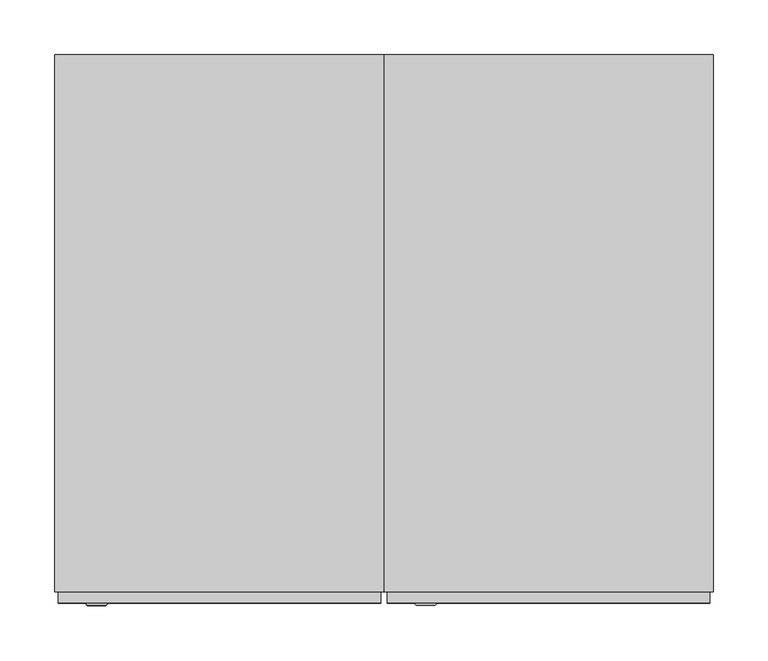
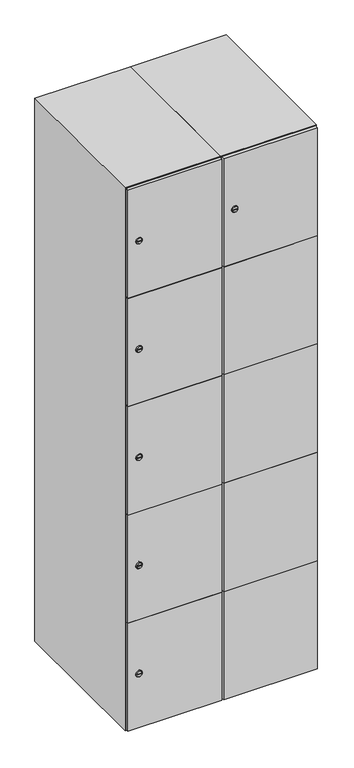
"""IFC4 building model written with IfcOpenShell, lengths in millimetres: furniture geometry."""

from ifc_helpers import new_model, si_unit, point, frame, frame_2d, origin, place, context, project, spatial, polyline, circle_curve, trimmed, segment, composite_curve, outline, extrude, faceted_brep, source, transform, mapped, element, save
from ifc_brep_helpers import plane_surface, revolved_surface, advanced_brep


def furniture_7a18e212(model_context):
    return source(origin(), model_context, "Body", "SolidModel", [
        advanced_brep(
        [(146.5, -257.2, 1652.6), (129.5, -257.2, 1652.6), (133.0, -257.2, 1651.35), (133.0, -257.2, 1653.85), (143.0, -257.2, 1653.85), (143.0, -257.2, 1651.35), (148.5, -255.0, 1652.6), (127.5, -255.0, 1652.6), (133.0, -255.0, 1653.85), (133.0, -255.0, 1651.35), (143.0, -255.0, 1651.35), (143.0, -255.0, 1653.85)],
        [
            (0, 1, circle_curve(frame((138.0, -257.2, 1652.6), z_axis=(0.0, -1.0, 0.0), x_axis=(1.0, 0.0, 0.0)), 8.5)),
            (1, 0, circle_curve(frame((138.0, -257.2, 1652.6), z_axis=(0.0, -1.0, 0.0), x_axis=(-1.0, 0.0, 0.0)), 8.5)),
            (2, 3),
            (3, 4),
            (4, 5),
            (5, 2),
            (6, 7, circle_curve(frame((138.0, -255.0, 1652.6), z_axis=(0.0, 1.0, 0.0), x_axis=(-1.0, 0.0, 0.0)), 10.5)),
            (7, 6, circle_curve(frame((138.0, -255.0, 1652.6), z_axis=(0.0, 1.0, 0.0), x_axis=(1.0, 0.0, 0.0)), 10.5)),
            (8, 9),
            (9, 10),
            (10, 11),
            (11, 8),
            (0, 6),
            (7, 1),
            (8, 3),
            (2, 9),
            (11, 4),
            (10, 5),
        ],
        [
            plane_surface(frame((138.0, -257.2, 1652.6), z_axis=(0.0, -1.0, 0.0), x_axis=(0.0, 0.0, 1.0))),
            plane_surface(frame((138.0, -255.0, 1652.6), z_axis=(0.0, 1.0, 0.0), x_axis=(0.0, 0.0, 1.0))),
            revolved_surface(polyline([(146.5, -257.2, 1652.6), (148.5, -255.0, 1652.6)]), (138.0, -266.55, 1652.6), (0.0, 1.0, 0.0)),
            revolved_surface(polyline([(129.5, -257.2, 1652.6), (127.5, -255.0, 1652.6)]), (138.0, -266.55, 1652.6), (0.0, 1.0, 0.0)),
            plane_surface(frame((133.0, -255.0, 1651.35), z_axis=(1.0, 0.0, 0.0), x_axis=(0.0, -1.0, 0.0))),
            plane_surface(frame((133.0, -255.0, 1653.85), z_axis=(0.0, 0.0, -1.0), x_axis=(0.0, -1.0, 0.0))),
            plane_surface(frame((143.0, -255.0, 1653.85), z_axis=(-1.0, 0.0, 0.0), x_axis=(0.0, -1.0, 0.0))),
            plane_surface(frame((143.0, -255.0, 1651.35), z_axis=(0.0, 0.0, 1.0), x_axis=(0.0, -1.0, 0.0))),
        ],
        [
            (0, [[1, 2], [3, 4, 5, 6]]),
            (1, [[7, 8], [9, 10, 11, 12]]),
            (2, [[-1, 13, -8, 14]]),
            (3, [[-2, -14, -7, -13]]),
            (4, [[15, -3, 16, -9]]),
            (5, [[-15, -12, 17, -4]]),
            (6, [[-17, -11, 18, -5]]),
            (7, [[-16, -6, -18, -10]]),
        ],
    ),
        extrude(outline(polyline([(397.0, -245.0), (397.0, -255.0), (103.0, -255.0), (103.0, -245.0), (397.0, -245.0)])), frame((0.0, 0.0, 755.1), z_axis=(0.0, 0.0, 1.0), x_axis=(1.0, 0.0, 0.0)), (0.0, 0.0, 1.0), 359.8),
        extrude(outline(polyline([(397.0, -245.0), (397.0, -255.0), (103.0, -255.0), (103.0, -245.0), (397.0, -245.0)])), frame((0.0, 0.0, 396.3), z_axis=(0.0, 0.0, 1.0), x_axis=(1.0, 0.0, 0.0)), (0.0, 0.0, 1.0), 359.8),
        extrude(outline(polyline([(397.0, -245.0), (397.0, -255.0), (103.0, -255.0), (103.0, -245.0), (397.0, -245.0)])), frame((0.0, 0.0, 1113.9), z_axis=(0.0, 0.0, 1.0), x_axis=(1.0, 0.0, 0.0)), (0.0, 0.0, 1.0), 358.8),
        extrude(outline(polyline([(103.0, -255.0), (103.0, -245.0), (397.0, -245.0), (397.0, -255.0), (103.0, -255.0)])), frame((0.0, 0.0, 1473.7), z_axis=(0.0, 0.0, 1.0), x_axis=(1.0, 0.0, 0.0)), (0.0, 0.0, 1.0), 358.3),
        extrude(outline(polyline([(397.0, -245.0), (397.0, -255.0), (103.0, -255.0), (103.0, -245.0), (397.0, -245.0)])), frame((0.0, 0.0, 38.0), z_axis=(0.0, 0.0, 1.0), x_axis=(1.0, 0.0, 0.0)), (0.0, 0.0, 1.0), 359.3),
        extrude(outline(polyline([(379.6, 242.0), (379.6, -235.0), (120.4, -235.0), (120.4, 242.0), (379.6, 242.0)])), frame((0.0, 0.0, 1446.68), z_axis=(0.0, 0.0, 1.0), x_axis=(1.0, 0.0, 0.0)), (0.0, 0.0, 1.0), 20.4),
        extrude(outline(polyline([(379.6, 242.0), (379.6, -235.0), (120.4, -235.0), (120.4, 242.0), (379.6, 242.0)])), frame((0.0, 0.0, 1098.76), z_axis=(0.0, 0.0, 1.0), x_axis=(1.0, 0.0, 0.0)), (0.0, 0.0, 1.0), 20.4),
        extrude(outline(polyline([(379.6, 242.0), (379.6, -235.0), (120.4, -235.0), (120.4, 242.0), (379.6, 242.0)])), frame((0.0, 0.0, 750.84), z_axis=(0.0, 0.0, 1.0), x_axis=(1.0, 0.0, 0.0)), (0.0, 0.0, 1.0), 20.4),
        extrude(outline(polyline([(120.4, 242.0), (379.6, 242.0), (379.6, -235.0), (120.4, -235.0), (120.4, 242.0)])), frame((0.0, 0.0, 402.92), z_axis=(0.0, 0.0, 1.0), x_axis=(1.0, 0.0, 0.0)), (0.0, 0.0, 1.0), 20.4),
        faceted_brep([(400.0, -245.0, 35.0), (400.0, -245.0, 1835.0), (100.0, -245.0, 1835.0), (100.0, -245.0, 35.0), (379.6, -245.0, 1804.8), (379.6, -245.0, 65.2), (120.4, -245.0, 65.2), (120.4, -245.0, 1804.8), (400.0, 245.0, 35.0), (100.0, 245.0, 35.0), (400.0, 245.0, 1835.0), (100.0, 245.0, 1835.0), (379.6, 242.0, 1804.8), (379.6, 242.0, 65.2), (100.0, 245.0, 1804.8), (120.4, 242.0, 1804.8), (120.4, 242.0, 65.2)], [[[0, 1, 2, 3], [4, 5, 6, 7]], [[8, 0, 3, 9]], [[1, 0, 8, 10]], [[1, 10, 11, 2]], [[4, 12, 13, 5]], [[9, 3, 2, 11, 14]], [[10, 8, 9, 14, 11]], [[12, 15, 16, 13]], [[15, 7, 6, 16]], [[4, 7, 15, 12]], [[6, 5, 13, 16]]]),
        extrude(outline(composite_curve([segment(trimmed(circle_curve(frame_2d((217.4, -188.7989466)), 7.0), [point((224.4, -188.7989466))], [point((210.4, -188.7989466))], False, "CARTESIAN"), True, "CONTINUOUS"), segment(polyline([(210.4, -188.7989466), (210.4, -160.7989466)]), True, "CONTINUOUS"), segment(trimmed(circle_curve(frame_2d((217.4, -160.7989466)), 7.0), [point((210.4, -160.7989466))], [point((224.4, -160.7989466))], False, "CARTESIAN"), True, "CONTINUOUS"), segment(polyline([(224.4, -160.7989466), (224.4, -188.7989466)]), True, "CONTINUOUS")], self_intersect=False)), frame((0.0, -245.0, 0.0), z_axis=(0.0, 1.0, 0.0), x_axis=(0.0, 0.0, 1.0)), (0.0, 0.0, 1.0), 2.0),
        advanced_brep(
        [(-153.5, -257.2, 217.4), (-170.5, -257.2, 217.4), (-167.0, -257.2, 216.15), (-167.0, -257.2, 218.65), (-157.0, -257.2, 218.65), (-157.0, -257.2, 216.15), (-151.5, -255.0, 217.4), (-172.5, -255.0, 217.4), (-167.0, -255.0, 218.65), (-167.0, -255.0, 216.15), (-157.0, -255.0, 216.15), (-157.0, -255.0, 218.65)],
        [
            (0, 1, circle_curve(frame((-162.0, -257.2, 217.4), z_axis=(0.0, -1.0, 0.0), x_axis=(1.0, 0.0, 0.0)), 8.5)),
            (1, 0, circle_curve(frame((-162.0, -257.2, 217.4), z_axis=(0.0, -1.0, 0.0), x_axis=(-1.0, 0.0, 0.0)), 8.5)),
            (2, 3),
            (3, 4),
            (4, 5),
            (5, 2),
            (6, 7, circle_curve(frame((-162.0, -255.0, 217.4), z_axis=(0.0, 1.0, 0.0), x_axis=(-1.0, 0.0, 0.0)), 10.5)),
            (7, 6, circle_curve(frame((-162.0, -255.0, 217.4), z_axis=(0.0, 1.0, 0.0), x_axis=(1.0, 0.0, 0.0)), 10.5)),
            (8, 9),
            (9, 10),
            (10, 11),
            (11, 8),
            (0, 6),
            (7, 1),
            (8, 3),
            (2, 9),
            (11, 4),
            (10, 5),
        ],
        [
            plane_surface(frame((-162.0, -257.2, 217.4), z_axis=(0.0, -1.0, 0.0), x_axis=(0.0, 0.0, 1.0))),
            plane_surface(frame((-162.0, -255.0, 217.4), z_axis=(0.0, 1.0, 0.0), x_axis=(0.0, 0.0, 1.0))),
            revolved_surface(polyline([(-153.5, -257.2, 217.4), (-151.5, -255.0, 217.4)]), (-162.0, -266.55, 217.4), (0.0, 1.0, 0.0)),
            revolved_surface(polyline([(-170.5, -257.2, 217.4), (-172.5, -255.0, 217.4)]), (-162.0, -266.55, 217.4), (0.0, 1.0, 0.0)),
            plane_surface(frame((-167.0, -255.0, 216.15), z_axis=(1.0, 0.0, 0.0), x_axis=(0.0, -1.0, 0.0))),
            plane_surface(frame((-167.0, -255.0, 218.65), z_axis=(0.0, 0.0, -1.0), x_axis=(0.0, -1.0, 0.0))),
            plane_surface(frame((-157.0, -255.0, 218.65), z_axis=(-1.0, 0.0, 0.0), x_axis=(0.0, -1.0, 0.0))),
            plane_surface(frame((-157.0, -255.0, 216.15), z_axis=(0.0, 0.0, 1.0), x_axis=(0.0, -1.0, 0.0))),
        ],
        [
            (0, [[1, 2], [3, 4, 5, 6]]),
            (1, [[7, 8], [9, 10, 11, 12]]),
            (2, [[-1, 13, -8, 14]]),
            (3, [[-2, -14, -7, -13]]),
            (4, [[15, -3, 16, -9]]),
            (5, [[-15, -12, 17, -4]]),
            (6, [[-17, -11, 18, -5]]),
            (7, [[-16, -6, -18, -10]]),
        ],
    ),
        extrude(outline(composite_curve([segment(trimmed(circle_curve(frame_2d((576.2, -188.7989466)), 7.0), [point((583.2, -188.7989466))], [point((569.2, -188.7989466))], False, "CARTESIAN"), True, "CONTINUOUS"), segment(polyline([(569.2, -188.7989466), (569.2, -160.7989466)]), True, "CONTINUOUS"), segment(trimmed(circle_curve(frame_2d((576.2, -160.7989466)), 7.0), [point((569.2, -160.7989466))], [point((583.2, -160.7989466))], False, "CARTESIAN"), True, "CONTINUOUS"), segment(polyline([(583.2, -160.7989466), (583.2, -188.7989466)]), True, "CONTINUOUS")], self_intersect=False)), frame((0.0, -245.0, 0.0), z_axis=(0.0, 1.0, 0.0), x_axis=(0.0, 0.0, 1.0)), (0.0, 0.0, 1.0), 2.0),
        advanced_brep(
        [(-153.5, -257.2, 576.2), (-170.5, -257.2, 576.2), (-167.0, -257.2, 574.95), (-167.0, -257.2, 577.45), (-157.0, -257.2, 577.45), (-157.0, -257.2, 574.95), (-151.5, -255.0, 576.2), (-172.5, -255.0, 576.2), (-167.0, -255.0, 577.45), (-167.0, -255.0, 574.95), (-157.0, -255.0, 574.95), (-157.0, -255.0, 577.45)],
        [
            (0, 1, circle_curve(frame((-162.0, -257.2, 576.2), z_axis=(0.0, -1.0, 0.0), x_axis=(1.0, 0.0, 0.0)), 8.5)),
            (1, 0, circle_curve(frame((-162.0, -257.2, 576.2), z_axis=(0.0, -1.0, 0.0), x_axis=(-1.0, 0.0, 0.0)), 8.5)),
            (2, 3),
            (3, 4),
            (4, 5),
            (5, 2),
            (6, 7, circle_curve(frame((-162.0, -255.0, 576.2), z_axis=(0.0, 1.0, 0.0), x_axis=(-1.0, 0.0, 0.0)), 10.5)),
            (7, 6, circle_curve(frame((-162.0, -255.0, 576.2), z_axis=(0.0, 1.0, 0.0), x_axis=(1.0, 0.0, 0.0)), 10.5)),
            (8, 9),
            (9, 10),
            (10, 11),
            (11, 8),
            (0, 6),
            (7, 1),
            (8, 3),
            (2, 9),
            (11, 4),
            (10, 5),
        ],
        [
            plane_surface(frame((-162.0, -257.2, 576.2), z_axis=(0.0, -1.0, 0.0), x_axis=(0.0, 0.0, 1.0))),
            plane_surface(frame((-162.0, -255.0, 576.2), z_axis=(0.0, 1.0, 0.0), x_axis=(0.0, 0.0, 1.0))),
            revolved_surface(polyline([(-153.5, -257.2, 576.2), (-151.5, -255.0, 576.2)]), (-162.0, -266.55, 576.2), (0.0, 1.0, 0.0)),
            revolved_surface(polyline([(-170.5, -257.2, 576.2), (-172.5, -255.0, 576.2)]), (-162.0, -266.55, 576.2), (0.0, 1.0, 0.0)),
            plane_surface(frame((-167.0, -255.0, 574.95), z_axis=(1.0, 0.0, 0.0), x_axis=(0.0, -1.0, 0.0))),
            plane_surface(frame((-167.0, -255.0, 577.45), z_axis=(0.0, 0.0, -1.0), x_axis=(0.0, -1.0, 0.0))),
            plane_surface(frame((-157.0, -255.0, 577.45), z_axis=(-1.0, 0.0, 0.0), x_axis=(0.0, -1.0, 0.0))),
            plane_surface(frame((-157.0, -255.0, 574.95), z_axis=(0.0, 0.0, 1.0), x_axis=(0.0, -1.0, 0.0))),
        ],
        [
            (0, [[1, 2], [3, 4, 5, 6]]),
            (1, [[7, 8], [9, 10, 11, 12]]),
            (2, [[-1, 13, -8, 14]]),
            (3, [[-2, -14, -7, -13]]),
            (4, [[15, -3, 16, -9]]),
            (5, [[-15, -12, 17, -4]]),
            (6, [[-17, -11, 18, -5]]),
            (7, [[-16, -6, -18, -10]]),
        ],
    ),
        extrude(outline(composite_curve([segment(trimmed(circle_curve(frame_2d((935.0, -188.7989466)), 7.0), [point((942.0, -188.7989466))], [point((928.0, -188.7989466))], False, "CARTESIAN"), True, "CONTINUOUS"), segment(polyline([(928.0, -188.7989466), (928.0, -160.7989466)]), True, "CONTINUOUS"), segment(trimmed(circle_curve(frame_2d((935.0, -160.7989466)), 7.0), [point((928.0, -160.7989466))], [point((942.0, -160.7989466))], False, "CARTESIAN"), True, "CONTINUOUS"), segment(polyline([(942.0, -160.7989466), (942.0, -188.7989466)]), True, "CONTINUOUS")], self_intersect=False)), frame((0.0, -245.0, 0.0), z_axis=(0.0, 1.0, 0.0), x_axis=(0.0, 0.0, 1.0)), (0.0, 0.0, 1.0), 2.0),
        advanced_brep(
        [(-153.5, -257.2, 935.0), (-170.5, -257.2, 935.0), (-167.0, -257.2, 933.75), (-167.0, -257.2, 936.25), (-157.0, -257.2, 936.25), (-157.0, -257.2, 933.75), (-151.5, -255.0, 935.0), (-172.5, -255.0, 935.0), (-167.0, -255.0, 936.25), (-167.0, -255.0, 933.75), (-157.0, -255.0, 933.75), (-157.0, -255.0, 936.25)],
        [
            (0, 1, circle_curve(frame((-162.0, -257.2, 935.0), z_axis=(0.0, -1.0, 0.0), x_axis=(1.0, 0.0, 0.0)), 8.5)),
            (1, 0, circle_curve(frame((-162.0, -257.2, 935.0), z_axis=(0.0, -1.0, 0.0), x_axis=(-1.0, 0.0, 0.0)), 8.5)),
            (2, 3),
            (3, 4),
            (4, 5),
            (5, 2),
            (6, 7, circle_curve(frame((-162.0, -255.0, 935.0), z_axis=(0.0, 1.0, 0.0), x_axis=(-1.0, 0.0, 0.0)), 10.5)),
            (7, 6, circle_curve(frame((-162.0, -255.0, 935.0), z_axis=(0.0, 1.0, 0.0), x_axis=(1.0, 0.0, 0.0)), 10.5)),
            (8, 9),
            (9, 10),
            (10, 11),
            (11, 8),
            (0, 6),
            (7, 1),
            (8, 3),
            (2, 9),
            (11, 4),
            (10, 5),
        ],
        [
            plane_surface(frame((-162.0, -257.2, 935.0), z_axis=(0.0, -1.0, 0.0), x_axis=(0.0, 0.0, 1.0))),
            plane_surface(frame((-162.0, -255.0, 935.0), z_axis=(0.0, 1.0, 0.0), x_axis=(0.0, 0.0, 1.0))),
            revolved_surface(polyline([(-153.5, -257.2, 935.0), (-151.5, -255.0, 935.0)]), (-162.0, -266.55, 935.0), (0.0, 1.0, 0.0)),
            revolved_surface(polyline([(-170.5, -257.2, 935.0), (-172.5, -255.0, 935.0)]), (-162.0, -266.55, 935.0), (0.0, 1.0, 0.0)),
            plane_surface(frame((-167.0, -255.0, 933.75), z_axis=(1.0, 0.0, 0.0), x_axis=(0.0, -1.0, 0.0))),
            plane_surface(frame((-167.0, -255.0, 936.25), z_axis=(0.0, 0.0, -1.0), x_axis=(0.0, -1.0, 0.0))),
            plane_surface(frame((-157.0, -255.0, 936.25), z_axis=(-1.0, 0.0, 0.0), x_axis=(0.0, -1.0, 0.0))),
            plane_surface(frame((-157.0, -255.0, 933.75), z_axis=(0.0, 0.0, 1.0), x_axis=(0.0, -1.0, 0.0))),
        ],
        [
            (0, [[1, 2], [3, 4, 5, 6]]),
            (1, [[7, 8], [9, 10, 11, 12]]),
            (2, [[-1, 13, -8, 14]]),
            (3, [[-2, -14, -7, -13]]),
            (4, [[15, -3, 16, -9]]),
            (5, [[-15, -12, 17, -4]]),
            (6, [[-17, -11, 18, -5]]),
            (7, [[-16, -6, -18, -10]]),
        ],
    ),
        extrude(outline(composite_curve([segment(trimmed(circle_curve(frame_2d((1293.8, -188.7989466)), 7.0), [point((1300.8, -188.7989466))], [point((1286.8, -188.7989466))], False, "CARTESIAN"), True, "CONTINUOUS"), segment(polyline([(1286.8, -188.7989466), (1286.8, -160.7989466)]), True, "CONTINUOUS"), segment(trimmed(circle_curve(frame_2d((1293.8, -160.7989466)), 7.0), [point((1286.8, -160.7989466))], [point((1300.8, -160.7989466))], False, "CARTESIAN"), True, "CONTINUOUS"), segment(polyline([(1300.8, -160.7989466), (1300.8, -188.7989466)]), True, "CONTINUOUS")], self_intersect=False)), frame((0.0, -245.0, 0.0), z_axis=(0.0, 1.0, 0.0), x_axis=(0.0, 0.0, 1.0)), (0.0, 0.0, 1.0), 2.0),
        advanced_brep(
        [(-153.5, -257.2, 1293.8), (-170.5, -257.2, 1293.8), (-167.0, -257.2, 1292.55), (-167.0, -257.2, 1295.05), (-157.0, -257.2, 1295.05), (-157.0, -257.2, 1292.55), (-151.5, -255.0, 1293.8), (-172.5, -255.0, 1293.8), (-167.0, -255.0, 1295.05), (-167.0, -255.0, 1292.55), (-157.0, -255.0, 1292.55), (-157.0, -255.0, 1295.05)],
        [
            (0, 1, circle_curve(frame((-162.0, -257.2, 1293.8), z_axis=(0.0, -1.0, 0.0), x_axis=(1.0, 0.0, 0.0)), 8.5)),
            (1, 0, circle_curve(frame((-162.0, -257.2, 1293.8), z_axis=(0.0, -1.0, 0.0), x_axis=(-1.0, 0.0, 0.0)), 8.5)),
            (2, 3),
            (3, 4),
            (4, 5),
            (5, 2),
            (6, 7, circle_curve(frame((-162.0, -255.0, 1293.8), z_axis=(0.0, 1.0, 0.0), x_axis=(-1.0, 0.0, 0.0)), 10.5)),
            (7, 6, circle_curve(frame((-162.0, -255.0, 1293.8), z_axis=(0.0, 1.0, 0.0), x_axis=(1.0, 0.0, 0.0)), 10.5)),
            (8, 9),
            (9, 10),
            (10, 11),
            (11, 8),
            (0, 6),
            (7, 1),
            (8, 3),
            (2, 9),
            (11, 4),
            (10, 5),
        ],
        [
            plane_surface(frame((-162.0, -257.2, 1293.8), z_axis=(0.0, -1.0, 0.0), x_axis=(0.0, 0.0, 1.0))),
            plane_surface(frame((-162.0, -255.0, 1293.8), z_axis=(0.0, 1.0, 0.0), x_axis=(0.0, 0.0, 1.0))),
            revolved_surface(polyline([(-153.5, -257.2, 1293.8), (-151.5, -255.0, 1293.8)]), (-162.0, -266.55, 1293.8), (0.0, 1.0, 0.0)),
            revolved_surface(polyline([(-170.5, -257.2, 1293.8), (-172.5, -255.0, 1293.8)]), (-162.0, -266.55, 1293.8), (0.0, 1.0, 0.0)),
            plane_surface(frame((-167.0, -255.0, 1292.55), z_axis=(1.0, 0.0, 0.0), x_axis=(0.0, -1.0, 0.0))),
            plane_surface(frame((-167.0, -255.0, 1295.05), z_axis=(0.0, 0.0, -1.0), x_axis=(0.0, -1.0, 0.0))),
            plane_surface(frame((-157.0, -255.0, 1295.05), z_axis=(-1.0, 0.0, 0.0), x_axis=(0.0, -1.0, 0.0))),
            plane_surface(frame((-157.0, -255.0, 1292.55), z_axis=(0.0, 0.0, 1.0), x_axis=(0.0, -1.0, 0.0))),
        ],
        [
            (0, [[1, 2], [3, 4, 5, 6]]),
            (1, [[7, 8], [9, 10, 11, 12]]),
            (2, [[-1, 13, -8, 14]]),
            (3, [[-2, -14, -7, -13]]),
            (4, [[15, -3, 16, -9]]),
            (5, [[-15, -12, 17, -4]]),
            (6, [[-17, -11, 18, -5]]),
            (7, [[-16, -6, -18, -10]]),
        ],
    ),
        extrude(outline(composite_curve([segment(trimmed(circle_curve(frame_2d((1652.6, -188.7989466)), 7.0), [point((1659.6, -188.7989466))], [point((1645.6, -188.7989466))], False, "CARTESIAN"), True, "CONTINUOUS"), segment(polyline([(1645.6, -188.7989466), (1645.6, -160.7989466)]), True, "CONTINUOUS"), segment(trimmed(circle_curve(frame_2d((1652.6, -160.7989466)), 7.0), [point((1645.6, -160.7989466))], [point((1659.6, -160.7989466))], False, "CARTESIAN"), True, "CONTINUOUS"), segment(polyline([(1659.6, -160.7989466), (1659.6, -188.7989466)]), True, "CONTINUOUS")], self_intersect=False)), frame((0.0, -245.0, 0.0), z_axis=(0.0, 1.0, 0.0), x_axis=(0.0, 0.0, 1.0)), (0.0, 0.0, 1.0), 2.0),
        advanced_brep(
        [(-153.5, -257.2, 1652.6), (-170.5, -257.2, 1652.6), (-167.0, -257.2, 1651.35), (-167.0, -257.2, 1653.85), (-157.0, -257.2, 1653.85), (-157.0, -257.2, 1651.35), (-151.5, -255.0, 1652.6), (-172.5, -255.0, 1652.6), (-167.0, -255.0, 1653.85), (-167.0, -255.0, 1651.35), (-157.0, -255.0, 1651.35), (-157.0, -255.0, 1653.85)],
        [
            (0, 1, circle_curve(frame((-162.0, -257.2, 1652.6), z_axis=(0.0, -1.0, 0.0), x_axis=(1.0, 0.0, 0.0)), 8.5)),
            (1, 0, circle_curve(frame((-162.0, -257.2, 1652.6), z_axis=(0.0, -1.0, 0.0), x_axis=(-1.0, 0.0, 0.0)), 8.5)),
            (2, 3),
            (3, 4),
            (4, 5),
            (5, 2),
            (6, 7, circle_curve(frame((-162.0, -255.0, 1652.6), z_axis=(0.0, 1.0, 0.0), x_axis=(-1.0, 0.0, 0.0)), 10.5)),
            (7, 6, circle_curve(frame((-162.0, -255.0, 1652.6), z_axis=(0.0, 1.0, 0.0), x_axis=(1.0, 0.0, 0.0)), 10.5)),
            (8, 9),
            (9, 10),
            (10, 11),
            (11, 8),
            (0, 6),
            (7, 1),
            (8, 3),
            (2, 9),
            (11, 4),
            (10, 5),
        ],
        [
            plane_surface(frame((-162.0, -257.2, 1652.6), z_axis=(0.0, -1.0, 0.0), x_axis=(0.0, 0.0, 1.0))),
            plane_surface(frame((-162.0, -255.0, 1652.6), z_axis=(0.0, 1.0, 0.0), x_axis=(0.0, 0.0, 1.0))),
            revolved_surface(polyline([(-153.5, -257.2, 1652.6), (-151.5, -255.0, 1652.6)]), (-162.0, -266.55, 1652.6), (0.0, 1.0, 0.0)),
            revolved_surface(polyline([(-170.5, -257.2, 1652.6), (-172.5, -255.0, 1652.6)]), (-162.0, -266.55, 1652.6), (0.0, 1.0, 0.0)),
            plane_surface(frame((-167.0, -255.0, 1651.35), z_axis=(1.0, 0.0, 0.0), x_axis=(0.0, -1.0, 0.0))),
            plane_surface(frame((-167.0, -255.0, 1653.85), z_axis=(0.0, 0.0, -1.0), x_axis=(0.0, -1.0, 0.0))),
            plane_surface(frame((-157.0, -255.0, 1653.85), z_axis=(-1.0, 0.0, 0.0), x_axis=(0.0, -1.0, 0.0))),
            plane_surface(frame((-157.0, -255.0, 1651.35), z_axis=(0.0, 0.0, 1.0), x_axis=(0.0, -1.0, 0.0))),
        ],
        [
            (0, [[1, 2], [3, 4, 5, 6]]),
            (1, [[7, 8], [9, 10, 11, 12]]),
            (2, [[-1, 13, -8, 14]]),
            (3, [[-2, -14, -7, -13]]),
            (4, [[15, -3, 16, -9]]),
            (5, [[-15, -12, 17, -4]]),
            (6, [[-17, -11, 18, -5]]),
            (7, [[-16, -6, -18, -10]]),
        ],
    ),
        extrude(outline(polyline([(97.0, -245.0), (97.0, -255.0), (-197.0, -255.0), (-197.0, -245.0), (97.0, -245.0)])), frame((0.0, 0.0, 755.1), z_axis=(0.0, 0.0, 1.0), x_axis=(1.0, 0.0, 0.0)), (0.0, 0.0, 1.0), 359.8),
        extrude(outline(polyline([(97.0, -245.0), (97.0, -255.0), (-197.0, -255.0), (-197.0, -245.0), (97.0, -245.0)])), frame((0.0, 0.0, 396.3), z_axis=(0.0, 0.0, 1.0), x_axis=(1.0, 0.0, 0.0)), (0.0, 0.0, 1.0), 359.8),
        extrude(outline(polyline([(97.0, -245.0), (97.0, -255.0), (-197.0, -255.0), (-197.0, -245.0), (97.0, -245.0)])), frame((0.0, 0.0, 1113.9), z_axis=(0.0, 0.0, 1.0), x_axis=(1.0, 0.0, 0.0)), (0.0, 0.0, 1.0), 358.8),
        extrude(outline(polyline([(-197.0, -255.0), (-197.0, -245.0), (97.0, -245.0), (97.0, -255.0), (-197.0, -255.0)])), frame((0.0, 0.0, 1473.7), z_axis=(0.0, 0.0, 1.0), x_axis=(1.0, 0.0, 0.0)), (0.0, 0.0, 1.0), 358.3),
        extrude(outline(polyline([(97.0, -245.0), (97.0, -255.0), (-197.0, -255.0), (-197.0, -245.0), (97.0, -245.0)])), frame((0.0, 0.0, 38.0), z_axis=(0.0, 0.0, 1.0), x_axis=(1.0, 0.0, 0.0)), (0.0, 0.0, 1.0), 359.3),
        extrude(outline(polyline([(79.6, 242.0), (79.6, -235.0), (-179.6, -235.0), (-179.6, 242.0), (79.6, 242.0)])), frame((0.0, 0.0, 1446.68), z_axis=(0.0, 0.0, 1.0), x_axis=(1.0, 0.0, 0.0)), (0.0, 0.0, 1.0), 20.4),
        extrude(outline(polyline([(79.6, 242.0), (79.6, -235.0), (-179.6, -235.0), (-179.6, 242.0), (79.6, 242.0)])), frame((0.0, 0.0, 1098.76), z_axis=(0.0, 0.0, 1.0), x_axis=(1.0, 0.0, 0.0)), (0.0, 0.0, 1.0), 20.4),
        extrude(outline(polyline([(79.6, 242.0), (79.6, -235.0), (-179.6, -235.0), (-179.6, 242.0), (79.6, 242.0)])), frame((0.0, 0.0, 750.84), z_axis=(0.0, 0.0, 1.0), x_axis=(1.0, 0.0, 0.0)), (0.0, 0.0, 1.0), 20.4),
        extrude(outline(polyline([(-179.6, 242.0), (79.6, 242.0), (79.6, -235.0), (-179.6, -235.0), (-179.6, 242.0)])), frame((0.0, 0.0, 402.92), z_axis=(0.0, 0.0, 1.0), x_axis=(1.0, 0.0, 0.0)), (0.0, 0.0, 1.0), 20.4),
        faceted_brep([(100.0, -245.0, 35.0), (100.0, -245.0, 1835.0), (-200.0, -245.0, 1835.0), (-200.0, -245.0, 35.0), (79.6, -245.0, 1804.8), (79.6, -245.0, 65.2), (-179.6, -245.0, 65.2), (-179.6, -245.0, 1804.8), (100.0, 245.0, 35.0), (-200.0, 245.0, 35.0), (100.0, 245.0, 1835.0), (-200.0, 245.0, 1835.0), (79.6, 242.0, 1804.8), (79.6, 242.0, 65.2), (-200.0, 245.0, 1804.8), (-179.6, 242.0, 1804.8), (-179.6, 242.0, 65.2)], [[[0, 1, 2, 3], [4, 5, 6, 7]], [[8, 0, 3, 9]], [[1, 0, 8, 10]], [[1, 10, 11, 2]], [[4, 12, 13, 5]], [[9, 3, 2, 11, 14]], [[10, 8, 9, 14, 11]], [[12, 15, 16, 13]], [[15, 7, 6, 16]], [[4, 7, 15, 12]], [[6, 5, 13, 16]]]),
    ])


if __name__ == "__main__":
    model = new_model("IFC4")
    model_context = context("Model", 3, world=origin())
    ifc_project = project(units=[si_unit("LENGTHUNIT", "METRE", prefix="MILLI")], contexts=[model_context])
    site = spatial("IfcSite", under=ifc_project)
    building = spatial("IfcBuilding", under=site)
    placement = place(None, origin())
    furniture_shape = furniture_7a18e212(model_context)
    element("IfcFurniture", 1, at=placement, inside=building, context=model_context, shape_type="MappedRepresentation", body=[
        mapped(furniture_shape, transform((0.0, 0.0, 0.0), x_axis=(1.0, 0.0, 0.0), y_axis=(0.0, 1.0, 0.0), z_axis=(0.0, 0.0, 1.0))),
    ])
    save(model, "model.ifc")
